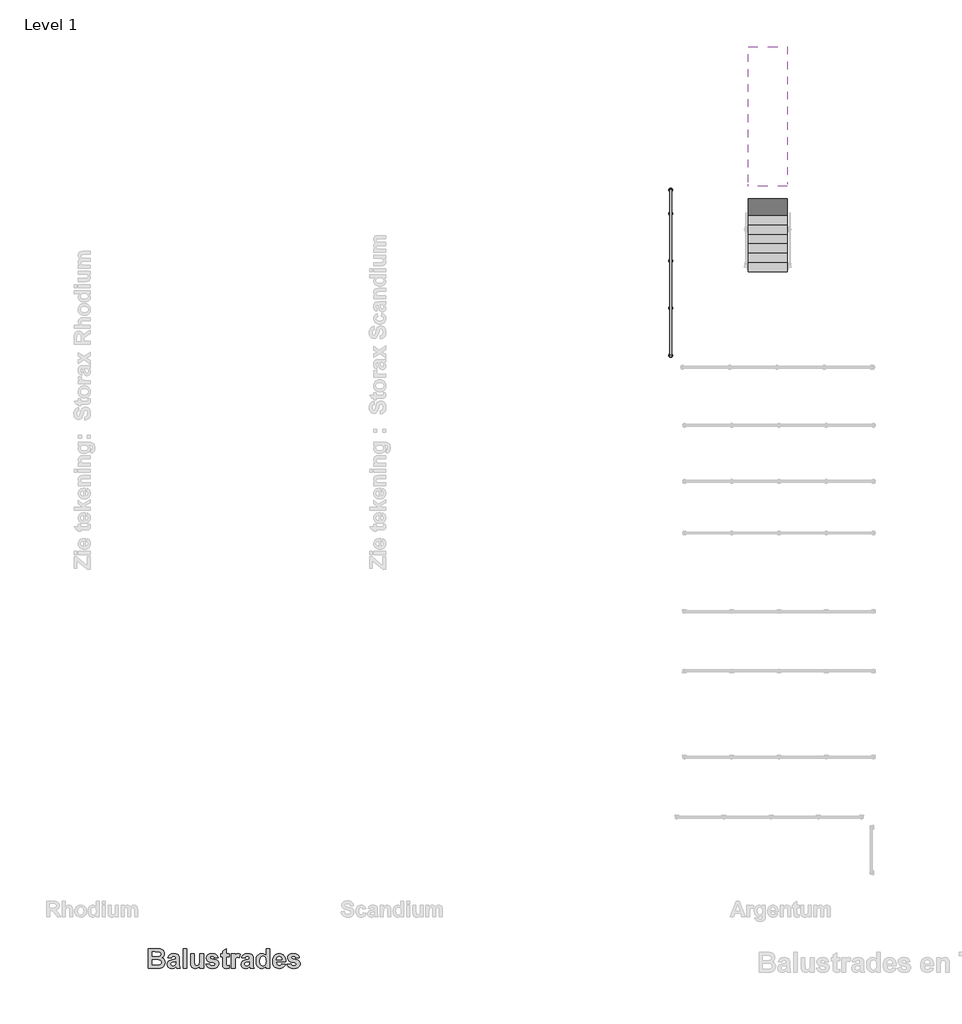
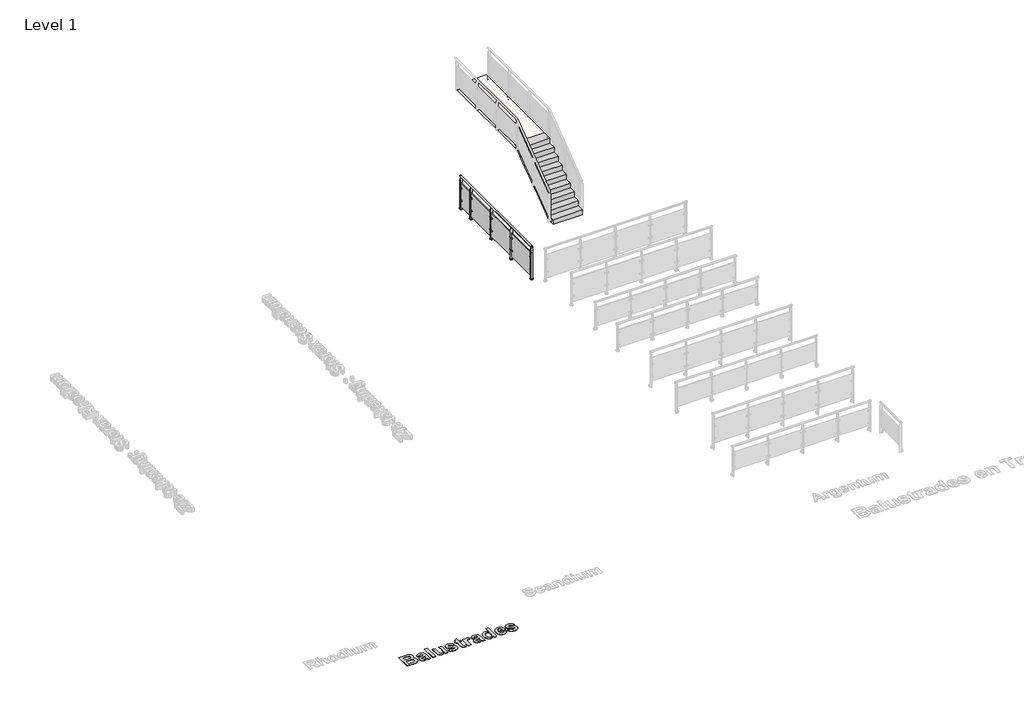
# One storey, part 6 of 16: 1 proxy, 1 railing, 1 slab, 1 stair flight.
"""IFC4 building model written with IfcOpenShell, lengths in millimetres."""

from ifc_helpers import new_model, si_unit, point, frame, frame_2d, origin, origin_with_axes, place, context, project, spatial, polyline, circle_curve, trimmed, segment, composite_curve, outline, extrude, faceted_brep, element, save
from ifc_brep_helpers import plane_surface, cylinder_surface, advanced_brep

model = new_model("IFC4")

# Units and contexts
model_context = context("Model", 3, world=origin())
ifc_project = project(units=[si_unit("LENGTHUNIT", "METRE", prefix="MILLI")], contexts=[model_context])

# Site, building, storey
site = spatial("IfcSite", under=ifc_project)
building = spatial("IfcBuilding", under=site)
storey = spatial("IfcBuildingStorey", under=building, Name="Level 1", Elevation=0.0)

# Proxy
placement = place(None, origin())
element("IfcBuildingElementProxy", 1, Name="500mm", ObjectType="500mm", at=placement, inside=storey, context=model_context, shape_type="SweptSolid", body=[
    extrude(outline(polyline([(6253.1087653, -16540.2949086), (6458.3419003, -16540.2949086), (6511.494802, -16541.534988), (6549.1777137, -16545.2552261), (6577.5445292, -16552.9282171), (6602.7491423, -16566.0265554), (6624.4040282, -16584.441734), (6642.1216622, -16608.0652459), (6653.9334181, -16635.8895267), (6657.8706701, -16666.9070118), (6653.1738695, -16700.6991745), (6639.0834677, -16731.6391546), (6616.9325501, -16757.4638074), (6588.0542018, -16775.909988), (6624.5745391, -16793.8291348), (6639.2539786, -16806.2764314), (6651.5462653, -16821.0488769), (6668.1943308, -16855.7400971), (6673.743686, -16896.0736784), (6669.759931, -16929.5713223), (6657.8086661, -16962.1079046), (6638.9594598, -16990.9397499), (6614.2818804, -17013.3231824), (6583.4814092, -17028.8086735), (6546.2635272, -17036.9466943), (6423.9917018, -17040.2949086), (6253.1087653, -17040.2949086), (6253.1087653, -16540.2949086)]), holes=[polyline([(6348.3468606, -16826.0091943), (6348.3468606, -16952.9933213), (6449.041305, -16952.9933213), (6523.6940828, -16950.0171308), (6545.7364935, -16943.3672052), (6563.2526145, -16931.1059205), (6574.6923467, -16913.4812925), (6578.5055907, -16890.7413372), (6575.5604022, -16871.0240753), (6566.7248368, -16854.5310197), (6552.3399161, -16841.6651963), (6532.7466622, -16832.8296308), (6497.5284082, -16827.7143034), (6436.2684876, -16826.0091943), (6348.3468606, -16826.0091943)]), polyline([(6348.3468606, -16627.5964959), (6348.3468606, -16738.707607), (6421.0155114, -16738.707607), (6501.6206701, -16737.0955038), (6526.9957941, -16731.2981328), (6546.3255312, -16719.8584007), (6558.5558139, -16703.3343431), (6562.6325749, -16682.2839959), (6559.1138497, -16662.1482072), (6548.5576741, -16646.1356824), (6531.088056, -16634.9284652), (6506.8290034, -16629.2085991), (6412.0869399, -16627.5964959), (6348.3468606, -16627.5964959)])]), origin_with_axes(), (0.0, 0.0, 1.0), 5.0),
    extrude(outline(polyline([(6832.4738447, -16786.3266546), (6745.1722574, -16770.4536388), (6753.3761574, -16745.8690654), (6764.0989687, -16724.6947102), (6777.3406912, -16706.9305733), (6793.1013249, -16692.5766546), (6812.1791708, -16681.5089463), (6835.3725302, -16673.6034404), (6862.681403, -16668.8601368), (6894.1057891, -16667.2790356), (6947.212188, -16671.1077806), (6984.7555907, -16682.5940157), (7010.1152137, -16699.9551269), (7026.6702733, -16721.4084999), (7035.7848566, -16754.7511338), (7038.823051, -16807.7800277), (7038.823051, -16920.379234), (7040.0786314, -16962.1699086), (7043.8453725, -16991.3117737), (7051.0533338, -17014.9662876), (7062.6325749, -17040.2949086), (6967.3944796, -17040.2949086), (6958.4659082, -17010.0369721), (6955.1176939, -16998.0082023), (6930.4711165, -17019.942106), (6904.150432, -17035.644611), (6876.0936364, -17045.0847152), (6846.2387256, -17048.2314165), (6820.5187046, -17046.3209193), (6797.6741175, -17040.5894275), (6777.7049645, -17031.0369411), (6760.6112455, -17017.6634602), (6746.9122438, -17001.3757928), (6737.1272425, -16983.0807469), (6731.2562418, -16962.7783225), (6729.2992415, -16940.4685197), (6732.7869647, -16911.2646507), (6743.2501344, -16885.4089959), (6760.0067068, -16864.0486288), (6782.3746383, -16848.3306229), (6813.0976046, -16836.2708511), (6854.9192812, -16825.8851864), (6909.0797475, -16813.6394027), (6943.5849558, -16802.1996705), (6943.5849558, -16792.1550277), (6940.6242663, -16767.4154443), (6931.7421979, -16750.9843927), (6914.6756056, -16741.7768034), (6887.1613447, -16738.707607), (6867.4130808, -16741.3427757), (6852.5631304, -16749.2482816), (6841.3404122, -16763.7882122), (6832.4738447, -16786.3266546)]), holes=[polyline([(6943.5849558, -16873.6282419), (6889.8895193, -16886.8350872), (6859.5075749, -16894.4150723), (6841.7744399, -16901.9020515), (6828.8466126, -16915.4499185), (6824.5373368, -16932.2839959), (6827.994058, -16949.1645763), (6838.3642217, -16963.5959999), (6854.0667266, -16973.5011338), (6873.5204717, -16976.8028451), (6896.8649657, -16972.9585991), (6919.0313844, -16961.425861), (6932.3622376, -16948.4670316), (6940.1127336, -16932.9040356), (6943.5849558, -16890.8653451), (6943.5849558, -16873.6282419)])]), origin_with_axes(), (0.0, 0.0, 1.0), 5.0),
    extrude(outline(polyline([(7134.0611463, -17040.2949086), (7134.0611463, -16540.2949086), (7229.2992415, -16540.2949086), (7229.2992415, -17040.2949086), (7134.0611463, -17040.2949086)])), origin_with_axes(), (0.0, 0.0, 1.0), 5.0),
    extrude(outline(polyline([(7554.6960669, -17040.2949086), (7554.6960669, -16986.72348), (7532.7621631, -17012.3156179), (7504.9068804, -17031.800365), (7473.2073516, -17044.1236536), (7439.7407098, -17048.2314165), (7406.6615927, -17044.2011586), (7377.1167018, -17032.1103848), (7353.1831701, -17012.7186437), (7336.9381304, -16986.785484), (7327.6375352, -16951.9857568), (7324.5373368, -16905.9943134), (7324.5373368, -16675.2155435), (7419.775432, -16675.2155435), (7419.775432, -16843.9903451), (7421.0620143, -16906.4748441), (7424.9217614, -16938.9184205), (7432.2072276, -16954.5434205), (7443.7709677, -16966.5721904), (7459.3184628, -16974.2451814), (7478.5551939, -16976.8028451), (7501.3571532, -16973.3926269), (7521.6479518, -16963.1619721), (7537.6759776, -16947.8624929), (7547.6896185, -16929.2458015), (7552.9444548, -16894.3220663), (7554.6960669, -16830.1014562), (7554.6960669, -16675.2155435), (7649.9341622, -16675.2155435), (7649.9341622, -17040.2949086), (7554.6960669, -17040.2949086)])), origin_with_axes(), (0.0, 0.0, 1.0), 5.0),
    extrude(outline(polyline([(7705.4897177, -16937.1203054), (7800.727813, -16921.2472896), (7809.7958933, -16945.2428253), (7825.0953725, -16962.6659404), (7847.1532842, -16973.2686189), (7876.4966622, -16976.8028451), (7908.3356999, -16973.4236288), (7931.1841622, -16963.28598), (7940.4847574, -16952.2492737), (7943.5849558, -16937.988361), (7941.9418506, -16928.12973), (7937.0125352, -16920.1312181), (7925.7588149, -16913.5897995), (7905.8865431, -16907.6064165), (7813.9036562, -16883.238857), (7783.3744523, -16871.8456279), (7763.1534082, -16860.9794324), (7744.869988, -16844.7886462), (7731.8104022, -16825.7301765), (7723.9746507, -16803.8040232), (7721.3627336, -16779.0101864), (7723.6026269, -16756.3244845), (7730.322307, -16735.5144027), (7741.5217738, -16716.5799408), (7757.2010272, -16699.5210991), (7777.5925823, -16685.4151963), (7802.9289538, -16675.3395515), (7833.2101418, -16669.2941646), (7868.4361463, -16667.2790356), (7901.9725426, -16668.9066398), (7930.9051443, -16673.7894523), (7955.2339513, -16681.9274731), (7974.9589637, -16693.3207023), (7991.025742, -16707.9071358), (8004.3798467, -16725.6247697), (8015.0212777, -16746.473604), (8022.9500352, -16770.4536388), (7927.7119399, -16786.3266546), (7920.7054915, -16765.9583511), (7909.3587653, -16750.9843927), (7892.9897177, -16741.7768034), (7870.916305, -16738.707607), (7843.7895689, -16741.3117737), (7825.6534082, -16749.1242737), (7818.8639737, -16757.6808213), (7816.6008288, -16768.4695118), (7818.8639737, -16777.801109), (7825.6534082, -16785.706615), (7852.7956453, -16797.0843431), (7909.916801, -16812.3683213), (7971.1302187, -16831.6205534), (7993.5640295, -16842.7580162), (8010.5492415, -16854.9030435), (8022.9190332, -16869.0011958), (8031.7545987, -16885.6260098), (8037.055938, -16904.7774855), (8038.823051, -16926.4556229), (8036.2615121, -16950.5635408), (8028.5768953, -16972.9120961), (8015.7692006, -16993.5012888), (7997.838428, -17012.3311189), (7974.885334, -17028.0374991), (7947.0106751, -17039.2563421), (7914.2144511, -17045.9876479), (7876.4966622, -17048.2314165), (7841.9410756, -17046.363547), (7811.1909826, -17040.7599384), (7784.2463831, -17031.4205907), (7761.1072772, -17018.3455038), (7741.7039104, -17002.0617117), (7725.9665282, -16983.0962479), (7713.8951307, -16961.4491125), (7705.4897177, -16937.1203054)])), origin_with_axes(), (0.0, 0.0, 1.0), 5.0),
    extrude(outline(polyline([(8300.727813, -16675.2155435), (8300.727813, -16746.644115), (8229.2992415, -16746.644115), (8229.2992415, -16903.2661388), (8231.4693804, -16958.6356824), (8241.3280114, -16971.6565157), (8260.0532098, -16976.8028451), (8304.6960669, -16967.6262578), (8308.6643209, -17035.3345911), (8271.9269697, -17045.0072102), (8230.6633288, -17048.2314165), (8205.3037058, -17045.9992737), (8182.5482495, -17039.3028451), (8163.96256, -17029.0721904), (8151.1122376, -17016.2373689), (8142.6331949, -16999.5893034), (8137.1613447, -16977.9189165), (8134.0611463, -16908.59848), (8134.0611463, -16746.644115), (8086.4420987, -16746.644115), (8086.4420987, -16675.2155435), (8134.0611463, -16675.2155435), (8134.0611463, -16603.7869721), (8229.2992415, -16548.2314165), (8229.2992415, -16675.2155435), (8300.727813, -16675.2155435)])), origin_with_axes(), (0.0, 0.0, 1.0), 5.0),
    extrude(outline(polyline([(8451.5214637, -17040.2949086), (8356.2833685, -17040.2949086), (8356.2833685, -16675.2155435), (8451.5214637, -16675.2155435), (8451.5214637, -16726.0587975), (8471.6417514, -16696.1573838), (8489.5919003, -16678.6257618), (8507.635055, -16670.1157171), (8528.0343606, -16667.2790356), (8557.7652633, -16672.301357), (8586.4420987, -16687.3683213), (8558.6643209, -16778.0181229), (8535.7228526, -16766.3923788), (8514.5174955, -16762.5171308), (8496.2108239, -16765.2298044), (8480.9733487, -16773.3678253), (8468.7275649, -16788.5742985), (8459.3959677, -16812.4923292), (8453.4900897, -16856.2671308), (8451.5214637, -16931.0439165), (8451.5214637, -17040.2949086)])), origin_with_axes(), (0.0, 0.0, 1.0), 5.0),
    extrude(outline(polyline([(8705.4897177, -16786.3266546), (8618.1881304, -16770.4536388), (8626.3920305, -16745.8690654), (8637.1148417, -16724.6947102), (8650.3565642, -16706.9305733), (8666.1171979, -16692.5766546), (8685.1950439, -16681.5089463), (8708.3884032, -16673.6034404), (8735.697276, -16668.8601368), (8767.1216622, -16667.2790356), (8820.228061, -16671.1077806), (8857.7714637, -16682.5940157), (8883.1310868, -16699.9551269), (8899.6861463, -16721.4084999), (8908.8007296, -16754.7511338), (8911.8389241, -16807.7800277), (8911.8389241, -16920.379234), (8913.0945044, -16962.1699086), (8916.8612455, -16991.3117737), (8924.0692068, -17014.9662876), (8935.6484479, -17040.2949086), (8840.4103526, -17040.2949086), (8831.4817812, -17010.0369721), (8828.1335669, -16998.0082023), (8803.4869895, -17019.942106), (8777.166305, -17035.644611), (8749.1095094, -17045.0847152), (8719.2545987, -17048.2314165), (8693.5345776, -17046.3209193), (8670.6899905, -17040.5894275), (8650.7208375, -17031.0369411), (8633.6271185, -17017.6634602), (8619.9281168, -17001.3757928), (8610.1431155, -16983.0807469), (8604.2721148, -16962.7783225), (8602.3151145, -16940.4685197), (8605.8028378, -16911.2646507), (8616.2660074, -16885.4089959), (8633.0225798, -16864.0486288), (8655.3905114, -16848.3306229), (8686.1134776, -16836.2708511), (8727.9351542, -16825.8851864), (8782.0956205, -16813.6394027), (8816.6008288, -16802.1996705), (8816.6008288, -16792.1550277), (8813.6401393, -16767.4154443), (8804.7580709, -16750.9843927), (8787.6914786, -16741.7768034), (8760.1772177, -16738.707607), (8740.4289538, -16741.3427757), (8725.5790034, -16749.2482816), (8714.3562852, -16763.7882122), (8705.4897177, -16786.3266546)]), holes=[polyline([(8816.6008288, -16873.6282419), (8762.9053923, -16886.8350872), (8732.5234479, -16894.4150723), (8714.790313, -16901.9020515), (8701.8624856, -16915.4499185), (8697.5532098, -16932.2839959), (8701.009931, -16949.1645763), (8711.3800947, -16963.5959999), (8727.0825997, -16973.5011338), (8746.5363447, -16976.8028451), (8769.8808387, -16972.9585991), (8792.0472574, -16961.425861), (8805.3781106, -16948.4670316), (8813.1286066, -16932.9040356), (8816.6008288, -16890.8653451), (8816.6008288, -16873.6282419)])]), origin_with_axes(), (0.0, 0.0, 1.0), 5.0),
    extrude(outline(polyline([(9332.4738447, -17040.2949086), (9237.2357495, -17040.2949086), (9237.2357495, -16987.7155435), (9213.9997624, -17014.4237529), (9186.9505312, -17033.2884602), (9157.8861711, -17044.4956775), (9128.6047971, -17048.2314165), (9099.7303241, -17045.0692142), (9073.0027385, -17035.582607), (9048.4220404, -17019.7715951), (9025.9882296, -16997.6361784), (9007.2979084, -16969.8351492), (8993.947679, -16937.0272995), (8985.9375414, -16899.2126293), (8983.2674955, -16856.3911388), (8985.9336661, -16812.8488521), (8993.932178, -16774.8559205), (9007.2630312, -16742.4123441), (9025.9262256, -16715.5181229), (9048.666181, -16694.4135222), (9074.2273169, -16679.3388074), (9102.6096334, -16670.2939785), (9133.8131304, -16667.2790356), (9162.6914786, -16670.4024855), (9189.5546979, -16679.7728352), (9214.4027881, -16695.3900847), (9237.2357495, -16717.254234), (9237.2357495, -16540.2949086), (9332.4738447, -16540.2949086), (9332.4738447, -17040.2949086)]), holes=[polyline([(9078.5055907, -16850.8107816), (9082.4738447, -16902.6460991), (9087.4341622, -16922.332359), (9094.3786066, -16937.8643531), (9106.9886636, -16954.8999433), (9121.8773665, -16967.0682221), (9139.0447152, -16974.3691894), (9158.4907098, -16976.8028451), (9174.3017217, -16974.9776033), (9188.8726542, -16969.5018779), (9202.2035074, -16960.3756688), (9214.2942812, -16947.5989761), (9224.3311736, -16931.1950512), (9231.5003824, -16911.1871457), (9235.8019077, -16887.5752595), (9237.2357495, -16860.3593927), (9235.8445354, -16830.2603414), (9231.6708933, -16804.6953302), (9224.7148231, -16783.6643593), (9214.9763249, -16767.1674284), (9203.0599372, -16754.7162566), (9189.5701989, -16745.8225624), (9174.5071098, -16740.4863459), (9157.8706701, -16738.707607), (9141.6876344, -16740.4669696), (9126.868686, -16745.7450574), (9113.4138249, -16754.5418704), (9101.323051, -16766.8574086), (9091.3404122, -16782.66067), (9084.2099558, -16801.9206527), (9079.931682, -16824.6373565), (9078.5055907, -16850.8107816)])]), origin_with_axes(), (0.0, 0.0, 1.0), 5.0),
    extrude(outline(polyline([(9634.0611463, -16929.1837975), (9729.2992415, -16945.0568134), (9719.0065828, -16968.784957), (9706.1097574, -16989.4981576), (9690.6087653, -17007.1964153), (9672.5036066, -17021.87973), (9651.8795367, -17033.4085929), (9628.821811, -17041.6434949), (9603.3304295, -17046.5844361), (9575.4053923, -17048.2314165), (9532.2738819, -17044.348418), (9495.1412554, -17032.6994225), (9464.0075129, -17013.2844299), (9438.8726542, -16986.1034404), (9423.5731751, -16959.6044944), (9412.6449756, -16929.8348392), (9406.088056, -16896.7944746), (9403.9024161, -16860.4834007), (9406.8011016, -16817.6696606), (9415.4971582, -16779.754234), (9429.9905858, -16746.7371209), (9450.2813844, -16718.6183213), (9475.0054667, -16696.1573838), (9502.7987455, -16680.113857), (9533.6612207, -16670.4877409), (9567.5928923, -16667.2790356), (9605.2990555, -16670.5729964), (9638.8044499, -16680.4548788), (9668.1090754, -16696.9246829), (9693.212932, -16719.9824086), (9713.2169623, -16749.8450698), (9727.2221086, -16786.7296804), (9735.228371, -16830.6362405), (9737.2357495, -16881.5647499), (9499.1405114, -16881.5647499), (9505.2479022, -16921.6813173), (9512.1380932, -16937.97286), (9521.5859479, -16951.7532419), (9532.9714265, -16962.7124433), (9545.6744895, -16970.5404443), (9559.6951369, -16975.2372449), (9575.0333685, -16976.8028451), (9595.0296483, -16973.9816646), (9611.6157098, -16965.5181229), (9624.6675451, -16950.7921804), (9634.0611463, -16929.1837975)]), holes=[polyline([(9641.9976542, -16826.0091943), (9636.2002832, -16788.3572846), (9629.697617, -16773.379451), (9620.7922971, -16760.9670316), (9598.4088645, -16744.2724632), (9571.6851542, -16738.707607), (9543.4733487, -16744.566982), (9520.5938844, -16762.145107), (9511.8203229, -16774.972178), (9505.5889241, -16789.8918828), (9500.7526145, -16826.0091943), (9641.9976542, -16826.0091943)])]), origin_with_axes(), (0.0, 0.0, 1.0), 5.0),
    extrude(outline(polyline([(9768.9817812, -16937.1203054), (9864.2198764, -16921.2472896), (9873.2879568, -16945.2428253), (9888.587436, -16962.6659404), (9910.6453477, -16973.2686189), (9939.9887256, -16976.8028451), (9971.8277633, -16973.4236288), (9994.6762256, -16963.28598), (10003.9768209, -16952.2492737), (10007.0770193, -16937.988361), (10005.4339141, -16928.12973), (10000.5045987, -16920.1312181), (9989.2508784, -16913.5897995), (9969.3786066, -16907.6064165), (9877.3957197, -16883.238857), (9846.8665158, -16871.8456279), (9826.6454717, -16860.9794324), (9808.3620515, -16844.7886462), (9795.3024657, -16825.7301765), (9787.4667142, -16803.8040232), (9784.8547971, -16779.0101864), (9787.0946904, -16756.3244845), (9793.8143705, -16735.5144027), (9805.0138373, -16716.5799408), (9820.6930907, -16699.5210991), (9841.0846458, -16685.4151963), (9866.4210173, -16675.3395515), (9896.7022053, -16669.2941646), (9931.9282098, -16667.2790356), (9965.4646061, -16668.9066398), (9994.3972078, -16673.7894523), (10018.7260148, -16681.9274731), (10038.4510272, -16693.3207023), (10054.5178055, -16707.9071358), (10067.8719102, -16725.6247697), (10078.5133412, -16746.473604), (10086.4420987, -16770.4536388), (9991.2040034, -16786.3266546), (9984.197555, -16765.9583511), (9972.8508288, -16750.9843927), (9956.4817812, -16741.7768034), (9934.4083685, -16738.707607), (9907.2816324, -16741.3117737), (9889.1454717, -16749.1242737), (9882.3560372, -16757.6808213), (9880.0928923, -16768.4695118), (9882.3560372, -16777.801109), (9889.1454717, -16785.706615), (9916.2877088, -16797.0843431), (9973.4088645, -16812.3683213), (10034.6222822, -16831.6205534), (10057.056093, -16842.7580162), (10074.041305, -16854.9030435), (10086.4110967, -16869.0011958), (10095.2466622, -16885.6260098), (10100.5480014, -16904.7774855), (10102.3151145, -16926.4556229), (10099.7535756, -16950.5635408), (10092.0689588, -16972.9120961), (10079.2612641, -16993.5012888), (10061.3304915, -17012.3311189), (10038.3773975, -17028.0374991), (10010.5027385, -17039.2563421), (9977.7065146, -17045.9876479), (9939.9887256, -17048.2314165), (9905.4331391, -17046.363547), (9874.6830461, -17040.7599384), (9847.7384466, -17031.4205907), (9824.5993407, -17018.3455038), (9805.1959739, -17002.0617117), (9789.4585917, -16983.0962479), (9777.3871942, -16961.4491125), (9768.9817812, -16937.1203054)])), origin_with_axes(), (0.0, 0.0, 1.0), 5.0),
])

# Railing
element("IfcRailing", 2, at=placement, inside=storey, context=model_context, shape_type="SolidModel", body=[
    advanced_brep(
    [(19510.6479588, 2747.4320958, 1175.0), (19510.6479588, 2747.4320958, 1200.0), (19510.6479588, 2747.4320958, 1150.0), (19510.6479588, 2757.4320958, 1150.0), (19510.6479588, 2757.4320958, 1200.0), (19510.6479588, 2757.4320958, 1175.0)],
    [
        (0, 1),
        (1, 2, circle_curve(frame((19510.6479588, 2747.4320958, 1175.0), z_axis=(0.0, -1.0, 0.0), x_axis=(0.0, 0.0, 1.0)), 25.0)),
        (2, 0),
        (2, 1, circle_curve(frame((19510.6479588, 2747.4320958, 1175.0), z_axis=(0.0, -1.0, 0.0), x_axis=(0.0, 0.0, 1.0)), 25.0)),
        (3, 4, circle_curve(frame((19510.6479588, 2757.4320958, 1175.0), z_axis=(0.0, 1.0, 0.0), x_axis=(0.0, 0.0, 1.0)), 25.0)),
        (4, 5),
        (5, 3),
        (4, 3, circle_curve(frame((19510.6479588, 2757.4320958, 1175.0), z_axis=(0.0, 1.0, 0.0), x_axis=(0.0, 0.0, 1.0)), 25.0)),
        (1, 4),
        (3, 2),
    ],
    [
        plane_surface(frame((19510.6479588, 2747.4320958, 1175.0), z_axis=(0.0, -1.0, 0.0), x_axis=(0.0, 0.0, 1.0))),
        plane_surface(frame((19510.6479588, 2757.4320958, 1175.0), z_axis=(0.0, 1.0, 0.0), x_axis=(0.0, 0.0, 1.0))),
        cylinder_surface(frame((19510.6479588, 2732.4320958, 1175.0), z_axis=(0.0, -1.0, 0.0), x_axis=(0.0, 0.0, 1.0)), 25.0),
    ],
    [
        (0, [[1, 2, 3]]),
        (0, [[-3, 4, -1]]),
        (1, [[5, 6, 7]]),
        (1, [[8, -7, -6]]),
        (2, [[-2, 9, -5, 10]]),
        (2, [[-4, -10, -8, -9]]),
    ],
),
    advanced_brep(
    [(19510.6479588, -1512.5679042, 1175.0), (19510.6479588, -1512.5679042, 1200.0), (19510.6479588, -1512.5679042, 1150.0), (19510.6479588, -1522.5679042, 1150.0), (19510.6479588, -1522.5679042, 1200.0), (19510.6479588, -1522.5679042, 1175.0)],
    [
        (0, 1),
        (1, 2, circle_curve(frame((19510.6479588, -1512.5679042, 1175.0), z_axis=(0.0, 1.0, 0.0), x_axis=(0.0, 0.0, 1.0)), 25.0)),
        (2, 0),
        (2, 1, circle_curve(frame((19510.6479588, -1512.5679042, 1175.0), z_axis=(0.0, 1.0, 0.0), x_axis=(0.0, 0.0, 1.0)), 25.0)),
        (3, 4, circle_curve(frame((19510.6479588, -1522.5679042, 1175.0), z_axis=(0.0, -1.0, 0.0), x_axis=(0.0, 0.0, 1.0)), 25.0)),
        (4, 5),
        (5, 3),
        (4, 3, circle_curve(frame((19510.6479588, -1522.5679042, 1175.0), z_axis=(0.0, -1.0, 0.0), x_axis=(0.0, 0.0, 1.0)), 25.0)),
        (1, 4),
        (3, 2),
    ],
    [
        plane_surface(frame((19510.6479588, -1512.5679042, 1175.0), z_axis=(0.0, 1.0, 0.0), x_axis=(0.0, 0.0, 1.0))),
        plane_surface(frame((19510.6479588, -1522.5679042, 1175.0), z_axis=(0.0, -1.0, 0.0), x_axis=(0.0, 0.0, 1.0))),
        cylinder_surface(frame((19510.6479588, -1497.5679042, 1175.0), z_axis=(0.0, 1.0, 0.0), x_axis=(0.0, 0.0, 1.0)), 25.0),
    ],
    [
        (0, [[1, 2, 3]]),
        (0, [[-3, 4, -1]]),
        (1, [[5, 6, 7]]),
        (1, [[8, -7, -6]]),
        (2, [[-2, 9, -5, 10]]),
        (2, [[-4, -10, -8, -9]]),
    ],
),
    advanced_brep(
    [(19535.6479588, -1512.5679042, 1175.0), (19485.6479588, -1512.5679042, 1175.0), (19535.6479588, -1482.5679042, 1175.0), (19485.6479588, -1482.5679042, 1175.0), (19535.6479588, 2717.4320958, 1175.0), (19485.6479588, 2717.4320958, 1175.0), (19535.6479588, 2747.4320958, 1175.0), (19485.6479588, 2747.4320958, 1175.0)],
    [
        (0, 1, circle_curve(frame((19510.6479588, -1512.5679042, 1175.0), z_axis=(0.0, -1.0, 0.0), x_axis=(-1.0, 0.0, 0.0)), 25.0)),
        (1, 0, circle_curve(frame((19510.6479588, -1512.5679042, 1175.0), z_axis=(0.0, -1.0, 0.0), x_axis=(-1.0, 0.0, 0.0)), 25.0)),
        (0, 2),
        (2, 3, circle_curve(frame((19510.6479588, -1482.5679042, 1175.0), z_axis=(0.0, -1.0, 0.0), x_axis=(-1.0, 0.0, 0.0)), 25.0)),
        (3, 1),
        (3, 2, circle_curve(frame((19510.6479588, -1482.5679042, 1175.0), z_axis=(0.0, -1.0, 0.0), x_axis=(-1.0, 0.0, 0.0)), 25.0)),
        (2, 4),
        (4, 5, circle_curve(frame((19510.6479588, 2717.4320958, 1175.0), z_axis=(0.0, -1.0, 0.0), x_axis=(-1.0, 0.0, 0.0)), 25.0)),
        (5, 3),
        (5, 4, circle_curve(frame((19510.6479588, 2717.4320958, 1175.0), z_axis=(0.0, -1.0, 0.0), x_axis=(-1.0, 0.0, 0.0)), 25.0)),
        (6, 7, circle_curve(frame((19510.6479588, 2747.4320958, 1175.0), z_axis=(0.0, 1.0, 0.0), x_axis=(-1.0, 0.0, 0.0)), 25.0)),
        (7, 6, circle_curve(frame((19510.6479588, 2747.4320958, 1175.0), z_axis=(0.0, 1.0, 0.0), x_axis=(-1.0, 0.0, 0.0)), 25.0)),
        (4, 6),
        (7, 5),
    ],
    [
        plane_surface(frame((19510.6479588, -1512.5679042, 1200.0), z_axis=(0.0, -1.0, 0.0), x_axis=(0.0, 0.0, 1.0))),
        cylinder_surface(frame((19510.6479588, -1512.5679042, 1175.0), z_axis=(0.0, -1.0, 0.0), x_axis=(-1.0, 0.0, 0.0)), 25.0),
        cylinder_surface(frame((19510.6479588, -1482.5679042, 1175.0), z_axis=(0.0, -1.0, 0.0), x_axis=(-1.0, 0.0, 0.0)), 25.0),
        plane_surface(frame((19510.6479588, 2747.4320958, 1200.0), z_axis=(0.0, 1.0, 0.0), x_axis=(0.0, 0.0, 1.0))),
        cylinder_surface(frame((19510.6479588, 2717.4320958, 1175.0), z_axis=(0.0, -1.0, 0.0), x_axis=(-1.0, 0.0, 0.0)), 25.0),
    ],
    [
        (0, [[1, 2]]),
        (1, [[-1, 3, 4, 5]]),
        (1, [[-2, -5, 6, -3]]),
        (2, [[-4, 7, 8, 9]]),
        (2, [[-6, -9, 10, -7]]),
        (3, [[11, 12]]),
        (4, [[-8, 13, -12, 14]]),
        (4, [[-10, -14, -11, -13]]),
    ],
),
    extrude(outline(polyline([(19518.6479588, -1482.5679042), (19502.6479588, -1482.5679042), (19502.6479588, 2717.4320958), (19518.6479588, 2717.4320958), (19518.6479588, -1482.5679042)])), frame((0.0, 0.0, 100.0), z_axis=(0.0, 0.0, 1.0), x_axis=(1.0, 0.0, 0.0)), (0.0, 0.0, 1.0), 850.0),
    extrude(outline(composite_curve([segment(polyline([(2168.4320958, 295.0), (2123.4320958, 295.0), (2123.4320958, 345.0), (2168.4320958, 345.0)]), True, "CONTINUOUS"), segment(trimmed(circle_curve(frame_2d((2168.4320958, 320.0)), 25.0), [point((2168.4320958, 345.0))], [point((2168.4320958, 295.0))], False, "CARTESIAN"), True, "CONTINUOUS")], self_intersect=False)), frame((19497.9078476, 0.0, 0.0), z_axis=(1.0, 0.0, 0.0), x_axis=(0.0, 1.0, 0.0)), (0.0, 0.0, 1.0), 25.4802223),
    extrude(outline(composite_curve([segment(polyline([(2168.4320958, 745.0), (2123.4320958, 745.0), (2123.4320958, 795.0), (2168.4320958, 795.0)]), True, "CONTINUOUS"), segment(trimmed(circle_curve(frame_2d((2168.4320958, 770.0)), 25.0), [point((2168.4320958, 795.0))], [point((2168.4320958, 745.0))], False, "CARTESIAN"), True, "CONTINUOUS")], self_intersect=False)), frame((19497.9078476, 0.0, 0.0), z_axis=(1.0, 0.0, 0.0), x_axis=(0.0, 1.0, 0.0)), (0.0, 0.0, 1.0), 25.4802223),
    extrude(outline(composite_curve([segment(trimmed(circle_curve(frame_2d((2066.4320958, 320.0)), 25.0), [point((2066.4320958, 295.0))], [point((2066.4320958, 345.0))], False, "CARTESIAN"), True, "CONTINUOUS"), segment(polyline([(2066.4320958, 345.0), (2111.4320958, 345.0), (2111.4320958, 295.0), (2066.4320958, 295.0)]), True, "CONTINUOUS")], self_intersect=False)), frame((19497.9078476, 0.0, 0.0), z_axis=(1.0, 0.0, 0.0), x_axis=(0.0, 1.0, 0.0)), (0.0, 0.0, 1.0), 25.4802223),
    extrude(outline(composite_curve([segment(trimmed(circle_curve(frame_2d((2066.4320958, 770.0)), 25.0), [point((2066.4320958, 745.0))], [point((2066.4320958, 795.0))], False, "CARTESIAN"), True, "CONTINUOUS"), segment(polyline([(2066.4320958, 795.0), (2111.4320958, 795.0), (2111.4320958, 745.0), (2066.4320958, 745.0)]), True, "CONTINUOUS")], self_intersect=False)), frame((19497.9078476, 0.0, 0.0), z_axis=(1.0, 0.0, 0.0), x_axis=(0.0, 1.0, 0.0)), (0.0, 0.0, 1.0), 25.4802223),
    extrude(outline(composite_curve([segment(trimmed(circle_curve(frame_2d((19510.6479588, 2117.4320958)), 50.0), [point((19560.6479588, 2117.4320958))], [point((19460.6479588, 2117.4320958))], False, "CARTESIAN"), True, "CONTINUOUS"), segment(trimmed(circle_curve(frame_2d((19510.6479588, 2117.4320958)), 50.0), [point((19460.6479588, 2117.4320958))], [point((19560.6479588, 2117.4320958))], False, "CARTESIAN"), True, "CONTINUOUS")], self_intersect=False), holes=[composite_curve([segment(trimmed(circle_curve(frame_2d((19510.6382913, 2092.4417633)), 8.9986565), [point((19510.6382913, 2101.4404197))], [point((19510.6382913, 2083.4431068))], True, "CARTESIAN"), True, "CONTINUOUS"), segment(trimmed(circle_curve(frame_2d((19510.6382913, 2092.4417633)), 8.9986565), [point((19510.6382913, 2083.4431068))], [point((19510.6382913, 2101.4404197))], True, "CARTESIAN"), True, "CONTINUOUS")], self_intersect=False), composite_curve([segment(trimmed(circle_curve(frame_2d((19510.6382913, 2142.4417633)), 8.9793215), [point((19510.6382913, 2151.4210848))], [point((19510.6382913, 2133.4624418))], True, "CARTESIAN"), True, "CONTINUOUS"), segment(trimmed(circle_curve(frame_2d((19510.6382913, 2142.4417633)), 8.9793215), [point((19510.6382913, 2133.4624418))], [point((19510.6382913, 2151.4210848))], True, "CARTESIAN"), True, "CONTINUOUS")], self_intersect=False)]), origin_with_axes(), (0.0, 0.0, 1.0), 15.0),
    extrude(outline(polyline([(15.0, 19470.6479588), (15.0, 19550.6479588), (1075.0, 19550.6479588), (1150.0, 19520.6479588), (1150.0, 19500.6479588), (1075.0, 19470.6479588), (15.0, 19470.6479588)])), frame((0.0, 2111.4320958, 0.0), z_axis=(0.0, 1.0, 0.0), x_axis=(0.0, 0.0, 1.0)), (0.0, 0.0, 1.0), 12.0),
    extrude(outline(composite_curve([segment(polyline([(968.4320958, 295.0), (923.4320958, 295.0), (923.4320958, 345.0), (968.4320958, 345.0)]), True, "CONTINUOUS"), segment(trimmed(circle_curve(frame_2d((968.4320958, 320.0)), 25.0), [point((968.4320958, 345.0))], [point((968.4320958, 295.0))], False, "CARTESIAN"), True, "CONTINUOUS")], self_intersect=False)), frame((19497.9078476, 0.0, 0.0), z_axis=(1.0, 0.0, 0.0), x_axis=(0.0, 1.0, 0.0)), (0.0, 0.0, 1.0), 25.4802223),
    extrude(outline(composite_curve([segment(polyline([(968.4320958, 745.0), (923.4320958, 745.0), (923.4320958, 795.0), (968.4320958, 795.0)]), True, "CONTINUOUS"), segment(trimmed(circle_curve(frame_2d((968.4320958, 770.0)), 25.0), [point((968.4320958, 795.0))], [point((968.4320958, 745.0))], False, "CARTESIAN"), True, "CONTINUOUS")], self_intersect=False)), frame((19497.9078476, 0.0, 0.0), z_axis=(1.0, 0.0, 0.0), x_axis=(0.0, 1.0, 0.0)), (0.0, 0.0, 1.0), 25.4802223),
    extrude(outline(composite_curve([segment(trimmed(circle_curve(frame_2d((866.4320958, 320.0)), 25.0), [point((866.4320958, 295.0))], [point((866.4320958, 345.0))], False, "CARTESIAN"), True, "CONTINUOUS"), segment(polyline([(866.4320958, 345.0), (911.4320958, 345.0), (911.4320958, 295.0), (866.4320958, 295.0)]), True, "CONTINUOUS")], self_intersect=False)), frame((19497.9078476, 0.0, 0.0), z_axis=(1.0, 0.0, 0.0), x_axis=(0.0, 1.0, 0.0)), (0.0, 0.0, 1.0), 25.4802223),
    extrude(outline(composite_curve([segment(trimmed(circle_curve(frame_2d((866.4320958, 770.0)), 25.0), [point((866.4320958, 745.0))], [point((866.4320958, 795.0))], False, "CARTESIAN"), True, "CONTINUOUS"), segment(polyline([(866.4320958, 795.0), (911.4320958, 795.0), (911.4320958, 745.0), (866.4320958, 745.0)]), True, "CONTINUOUS")], self_intersect=False)), frame((19497.9078476, 0.0, 0.0), z_axis=(1.0, 0.0, 0.0), x_axis=(0.0, 1.0, 0.0)), (0.0, 0.0, 1.0), 25.4802223),
    extrude(outline(composite_curve([segment(trimmed(circle_curve(frame_2d((19510.6479588, 917.4320958)), 50.0), [point((19560.6479588, 917.4320958))], [point((19460.6479588, 917.4320958))], False, "CARTESIAN"), True, "CONTINUOUS"), segment(trimmed(circle_curve(frame_2d((19510.6479588, 917.4320958)), 50.0), [point((19460.6479588, 917.4320958))], [point((19560.6479588, 917.4320958))], False, "CARTESIAN"), True, "CONTINUOUS")], self_intersect=False), holes=[composite_curve([segment(trimmed(circle_curve(frame_2d((19510.6382913, 892.4417633)), 8.9986565), [point((19510.6382913, 901.4404197))], [point((19510.6382913, 883.4431068))], True, "CARTESIAN"), True, "CONTINUOUS"), segment(trimmed(circle_curve(frame_2d((19510.6382913, 892.4417633)), 8.9986565), [point((19510.6382913, 883.4431068))], [point((19510.6382913, 901.4404197))], True, "CARTESIAN"), True, "CONTINUOUS")], self_intersect=False), composite_curve([segment(trimmed(circle_curve(frame_2d((19510.6382913, 942.4417633)), 8.9793215), [point((19510.6382913, 951.4210848))], [point((19510.6382913, 933.4624418))], True, "CARTESIAN"), True, "CONTINUOUS"), segment(trimmed(circle_curve(frame_2d((19510.6382913, 942.4417633)), 8.9793215), [point((19510.6382913, 933.4624418))], [point((19510.6382913, 951.4210848))], True, "CARTESIAN"), True, "CONTINUOUS")], self_intersect=False)]), origin_with_axes(), (0.0, 0.0, 1.0), 15.0),
    extrude(outline(polyline([(15.0, 19470.6479588), (15.0, 19550.6479588), (1075.0, 19550.6479588), (1150.0, 19520.6479588), (1150.0, 19500.6479588), (1075.0, 19470.6479588), (15.0, 19470.6479588)])), frame((0.0, 911.4320958, 0.0), z_axis=(0.0, 1.0, 0.0), x_axis=(0.0, 0.0, 1.0)), (0.0, 0.0, 1.0), 12.0),
    extrude(outline(composite_curve([segment(polyline([(-231.5679042, 295.0), (-276.5679042, 295.0), (-276.5679042, 345.0), (-231.5679042, 345.0)]), True, "CONTINUOUS"), segment(trimmed(circle_curve(frame_2d((-231.5679042, 320.0)), 25.0), [point((-231.5679042, 345.0))], [point((-231.5679042, 295.0))], False, "CARTESIAN"), True, "CONTINUOUS")], self_intersect=False)), frame((19497.9078476, 0.0, 0.0), z_axis=(1.0, 0.0, 0.0), x_axis=(0.0, 1.0, 0.0)), (0.0, 0.0, 1.0), 25.4802223),
    extrude(outline(composite_curve([segment(polyline([(-231.5679042, 745.0), (-276.5679042, 745.0), (-276.5679042, 795.0), (-231.5679042, 795.0)]), True, "CONTINUOUS"), segment(trimmed(circle_curve(frame_2d((-231.5679042, 770.0)), 25.0), [point((-231.5679042, 795.0))], [point((-231.5679042, 745.0))], False, "CARTESIAN"), True, "CONTINUOUS")], self_intersect=False)), frame((19497.9078476, 0.0, 0.0), z_axis=(1.0, 0.0, 0.0), x_axis=(0.0, 1.0, 0.0)), (0.0, 0.0, 1.0), 25.4802223),
    extrude(outline(composite_curve([segment(trimmed(circle_curve(frame_2d((-333.5679042, 320.0)), 25.0), [point((-333.5679042, 295.0))], [point((-333.5679042, 345.0))], False, "CARTESIAN"), True, "CONTINUOUS"), segment(polyline([(-333.5679042, 345.0), (-288.5679042, 345.0), (-288.5679042, 295.0), (-333.5679042, 295.0)]), True, "CONTINUOUS")], self_intersect=False)), frame((19497.9078476, 0.0, 0.0), z_axis=(1.0, 0.0, 0.0), x_axis=(0.0, 1.0, 0.0)), (0.0, 0.0, 1.0), 25.4802223),
    extrude(outline(composite_curve([segment(trimmed(circle_curve(frame_2d((-333.5679042, 770.0)), 25.0), [point((-333.5679042, 745.0))], [point((-333.5679042, 795.0))], False, "CARTESIAN"), True, "CONTINUOUS"), segment(polyline([(-333.5679042, 795.0), (-288.5679042, 795.0), (-288.5679042, 745.0), (-333.5679042, 745.0)]), True, "CONTINUOUS")], self_intersect=False)), frame((19497.9078476, 0.0, 0.0), z_axis=(1.0, 0.0, 0.0), x_axis=(0.0, 1.0, 0.0)), (0.0, 0.0, 1.0), 25.4802223),
    extrude(outline(composite_curve([segment(trimmed(circle_curve(frame_2d((19510.6479588, -282.5679042)), 50.0), [point((19560.6479588, -282.5679042))], [point((19460.6479588, -282.5679042))], False, "CARTESIAN"), True, "CONTINUOUS"), segment(trimmed(circle_curve(frame_2d((19510.6479588, -282.5679042)), 50.0), [point((19460.6479588, -282.5679042))], [point((19560.6479588, -282.5679042))], False, "CARTESIAN"), True, "CONTINUOUS")], self_intersect=False), holes=[composite_curve([segment(trimmed(circle_curve(frame_2d((19510.6382913, -307.5582367)), 8.9986565), [point((19510.6382913, -298.5595803))], [point((19510.6382913, -316.5568932))], True, "CARTESIAN"), True, "CONTINUOUS"), segment(trimmed(circle_curve(frame_2d((19510.6382913, -307.5582367)), 8.9986565), [point((19510.6382913, -316.5568932))], [point((19510.6382913, -298.5595803))], True, "CARTESIAN"), True, "CONTINUOUS")], self_intersect=False), composite_curve([segment(trimmed(circle_curve(frame_2d((19510.6382913, -257.5582367)), 8.9793215), [point((19510.6382913, -248.5789152))], [point((19510.6382913, -266.5375582))], True, "CARTESIAN"), True, "CONTINUOUS"), segment(trimmed(circle_curve(frame_2d((19510.6382913, -257.5582367)), 8.9793215), [point((19510.6382913, -266.5375582))], [point((19510.6382913, -248.5789152))], True, "CARTESIAN"), True, "CONTINUOUS")], self_intersect=False)]), origin_with_axes(), (0.0, 0.0, 1.0), 15.0),
    extrude(outline(polyline([(15.0, 19470.6479588), (15.0, 19550.6479588), (1075.0, 19550.6479588), (1150.0, 19520.6479588), (1150.0, 19500.6479588), (1075.0, 19470.6479588), (15.0, 19470.6479588)])), frame((0.0, -288.5679042, 0.0), z_axis=(0.0, 1.0, 0.0), x_axis=(0.0, 0.0, 1.0)), (0.0, 0.0, 1.0), 12.0),
    extrude(outline(composite_curve([segment(trimmed(circle_curve(frame_2d((2666.4320958, 320.0)), 25.0), [point((2666.4320958, 295.0))], [point((2666.4320958, 345.0))], False, "CARTESIAN"), True, "CONTINUOUS"), segment(polyline([(2666.4320958, 345.0), (2711.4320958, 345.0), (2711.4320958, 295.0), (2666.4320958, 295.0)]), True, "CONTINUOUS")], self_intersect=False)), frame((19497.9078476, 0.0, 0.0), z_axis=(1.0, 0.0, 0.0), x_axis=(0.0, 1.0, 0.0)), (0.0, 0.0, 1.0), 25.4802223),
    extrude(outline(composite_curve([segment(trimmed(circle_curve(frame_2d((2666.4320958, 770.0)), 25.0), [point((2666.4320958, 745.0))], [point((2666.4320958, 795.0))], False, "CARTESIAN"), True, "CONTINUOUS"), segment(polyline([(2666.4320958, 795.0), (2711.4320958, 795.0), (2711.4320958, 745.0), (2666.4320958, 745.0)]), True, "CONTINUOUS")], self_intersect=False)), frame((19497.9078476, 0.0, 0.0), z_axis=(1.0, 0.0, 0.0), x_axis=(0.0, 1.0, 0.0)), (0.0, 0.0, 1.0), 25.4802223),
    extrude(outline(composite_curve([segment(trimmed(circle_curve(frame_2d((19510.6479588, 2717.4320958)), 50.0), [point((19560.6479588, 2717.4320958))], [point((19460.6479588, 2717.4320958))], False, "CARTESIAN"), True, "CONTINUOUS"), segment(trimmed(circle_curve(frame_2d((19510.6479588, 2717.4320958)), 50.0), [point((19460.6479588, 2717.4320958))], [point((19560.6479588, 2717.4320958))], False, "CARTESIAN"), True, "CONTINUOUS")], self_intersect=False), holes=[composite_curve([segment(trimmed(circle_curve(frame_2d((19510.6382913, 2692.4417633)), 8.9986565), [point((19510.6382913, 2701.4404197))], [point((19510.6382913, 2683.4431068))], True, "CARTESIAN"), True, "CONTINUOUS"), segment(trimmed(circle_curve(frame_2d((19510.6382913, 2692.4417633)), 8.9986565), [point((19510.6382913, 2683.4431068))], [point((19510.6382913, 2701.4404197))], True, "CARTESIAN"), True, "CONTINUOUS")], self_intersect=False), composite_curve([segment(trimmed(circle_curve(frame_2d((19510.6382913, 2742.4417633)), 8.9793215), [point((19510.6382913, 2751.4210848))], [point((19510.6382913, 2733.4624418))], True, "CARTESIAN"), True, "CONTINUOUS"), segment(trimmed(circle_curve(frame_2d((19510.6382913, 2742.4417633)), 8.9793215), [point((19510.6382913, 2733.4624418))], [point((19510.6382913, 2751.4210848))], True, "CARTESIAN"), True, "CONTINUOUS")], self_intersect=False)]), origin_with_axes(), (0.0, 0.0, 1.0), 15.0),
    extrude(outline(polyline([(15.0, 19470.6479588), (15.0, 19550.6479588), (1075.0, 19550.6479588), (1150.0, 19520.6479588), (1150.0, 19500.6479588), (1075.0, 19470.6479588), (15.0, 19470.6479588)])), frame((0.0, 2711.4320958, 0.0), z_axis=(0.0, 1.0, 0.0), x_axis=(0.0, 0.0, 1.0)), (0.0, 0.0, 1.0), 12.0),
    extrude(outline(composite_curve([segment(polyline([(-1431.5679042, 295.0), (-1476.5679042, 295.0), (-1476.5679042, 345.0), (-1431.5679042, 345.0)]), True, "CONTINUOUS"), segment(trimmed(circle_curve(frame_2d((-1431.5679042, 320.0)), 25.0), [point((-1431.5679042, 345.0))], [point((-1431.5679042, 295.0))], False, "CARTESIAN"), True, "CONTINUOUS")], self_intersect=False)), frame((19497.9078476, 0.0, 0.0), z_axis=(1.0, 0.0, 0.0), x_axis=(0.0, 1.0, 0.0)), (0.0, 0.0, 1.0), 25.4802223),
    extrude(outline(composite_curve([segment(polyline([(-1431.5679042, 745.0), (-1476.5679042, 745.0), (-1476.5679042, 795.0), (-1431.5679042, 795.0)]), True, "CONTINUOUS"), segment(trimmed(circle_curve(frame_2d((-1431.5679042, 770.0)), 25.0), [point((-1431.5679042, 795.0))], [point((-1431.5679042, 745.0))], False, "CARTESIAN"), True, "CONTINUOUS")], self_intersect=False)), frame((19497.9078476, 0.0, 0.0), z_axis=(1.0, 0.0, 0.0), x_axis=(0.0, 1.0, 0.0)), (0.0, 0.0, 1.0), 25.4802223),
    extrude(outline(composite_curve([segment(trimmed(circle_curve(frame_2d((19510.6479588, -1482.5679042)), 50.0), [point((19560.6479588, -1482.5679042))], [point((19460.6479588, -1482.5679042))], False, "CARTESIAN"), True, "CONTINUOUS"), segment(trimmed(circle_curve(frame_2d((19510.6479588, -1482.5679042)), 50.0), [point((19460.6479588, -1482.5679042))], [point((19560.6479588, -1482.5679042))], False, "CARTESIAN"), True, "CONTINUOUS")], self_intersect=False), holes=[composite_curve([segment(trimmed(circle_curve(frame_2d((19510.6382913, -1507.5582367)), 8.9986565), [point((19510.6382913, -1498.5595803))], [point((19510.6382913, -1516.5568932))], True, "CARTESIAN"), True, "CONTINUOUS"), segment(trimmed(circle_curve(frame_2d((19510.6382913, -1507.5582367)), 8.9986565), [point((19510.6382913, -1516.5568932))], [point((19510.6382913, -1498.5595803))], True, "CARTESIAN"), True, "CONTINUOUS")], self_intersect=False), composite_curve([segment(trimmed(circle_curve(frame_2d((19510.6382913, -1457.5582367)), 8.9793215), [point((19510.6382913, -1448.5789152))], [point((19510.6382913, -1466.5375582))], True, "CARTESIAN"), True, "CONTINUOUS"), segment(trimmed(circle_curve(frame_2d((19510.6382913, -1457.5582367)), 8.9793215), [point((19510.6382913, -1466.5375582))], [point((19510.6382913, -1448.5789152))], True, "CARTESIAN"), True, "CONTINUOUS")], self_intersect=False)]), origin_with_axes(), (0.0, 0.0, 1.0), 15.0),
    extrude(outline(polyline([(15.0, 19470.6479588), (15.0, 19550.6479588), (1075.0, 19550.6479588), (1150.0, 19520.6479588), (1150.0, 19500.6479588), (1075.0, 19470.6479588), (15.0, 19470.6479588)])), frame((0.0, -1488.5679042, 0.0), z_axis=(0.0, 1.0, 0.0), x_axis=(0.0, 0.0, 1.0)), (0.0, 0.0, 1.0), 12.0),
])

# Slab
element("IfcSlab", 3, ObjectType="200 mm Thickness", at=placement, inside=storey, context=model_context, shape_type="SweptSolid", body=[
    extrude(outline(polyline([(6358.8773535, 1613.6470588), (6358.8773535, 1413.6470588), (2808.8773535, 1413.6470588), (2808.8773535, 1503.6470588), (2908.8773535, 1503.6470588), (2908.8773535, 1613.6470588), (6358.8773535, 1613.6470588)])), frame((21475.9970847, 0.0, 0.0), z_axis=(1.0, 0.0, 0.0), x_axis=(0.0, 1.0, 0.0)), (0.0, 0.0, 1.0), 1000.0),
])

# Stair flight
element("IfcStairFlight", 4, ObjectType="Monolithic Run", at=placement, inside=storey, context=model_context, shape_type="Brep", body=[
    faceted_brep([(21475.9970847, 878.8773535, 179.2941176), (21475.9970847, 638.8773535, 179.2941176), (22475.9970847, 638.8773535, 179.2941176), (22475.9970847, 878.8773535, 179.2941176), (21475.9970847, 878.8773535, 0.0), (21475.9970847, 638.8773535, 0.0), (22475.9970847, 638.8773535, 0.0), (22475.9970847, 878.8773535, 0.0), (21475.9970847, 1118.8773535, 358.5882353), (21475.9970847, 878.8773535, 358.5882353), (22475.9970847, 878.8773535, 358.5882353), (22475.9970847, 1118.8773535, 358.5882353), (21475.9970847, 1118.8773535, 171.3526085), (21475.9970847, 889.5077201, 0.0), (22475.9970847, 889.5077201, 0.0), (22475.9970847, 1118.8773535, 171.3526085), (21475.9970847, 1358.8773535, 537.8823529), (21475.9970847, 1118.8773535, 537.8823529), (22475.9970847, 1118.8773535, 537.8823529), (22475.9970847, 1358.8773535, 537.8823529), (21475.9970847, 1358.8773535, 350.6467262), (22475.9970847, 1358.8773535, 350.6467262), (21475.9970847, 1598.8773535, 717.1764706), (21475.9970847, 1358.8773535, 717.1764706), (22475.9970847, 1358.8773535, 717.1764706), (22475.9970847, 1598.8773535, 717.1764706), (21475.9970847, 1598.8773535, 529.9408438), (22475.9970847, 1598.8773535, 529.9408438), (21475.9970847, 1838.8773535, 896.4705882), (21475.9970847, 1598.8773535, 896.4705882), (22475.9970847, 1598.8773535, 896.4705882), (22475.9970847, 1838.8773535, 896.4705882), (21475.9970847, 1838.8773535, 709.2349615), (22475.9970847, 1838.8773535, 709.2349615), (21475.9970847, 2078.8773535, 1075.7647059), (21475.9970847, 1838.8773535, 1075.7647059), (22475.9970847, 1838.8773535, 1075.7647059), (22475.9970847, 2078.8773535, 1075.7647059), (21475.9970847, 2078.8773535, 888.5290791), (22475.9970847, 2078.8773535, 888.5290791), (21475.9970847, 2318.8773535, 1255.0588235), (21475.9970847, 2078.8773535, 1255.0588235), (22475.9970847, 2078.8773535, 1255.0588235), (22475.9970847, 2318.8773535, 1255.0588235), (21475.9970847, 2318.8773535, 1067.8231968), (22475.9970847, 2318.8773535, 1067.8231968), (21475.9970847, 2558.8773535, 1434.3529412), (21475.9970847, 2318.8773535, 1434.3529412), (22475.9970847, 2318.8773535, 1434.3529412), (22475.9970847, 2558.8773535, 1434.3529412), (21475.9970847, 2558.8773535, 1247.1173144), (22475.9970847, 2558.8773535, 1247.1173144), (21475.9970847, 2558.8773535, 1613.6470588), (22475.9970847, 2558.8773535, 1613.6470588), (22475.9970847, 2898.8773535, 1613.6470588), (21475.9970847, 2898.8773535, 1613.6470588), (21475.9970847, 2898.8773535, 1513.6470588), (21475.9970847, 2798.8773535, 1513.6470588), (21475.9970847, 2798.8773535, 1413.6470588), (21475.9970847, 2781.7911846, 1413.6470588), (22475.9970847, 2781.7911846, 1413.6470588), (22475.9970847, 2798.8773535, 1413.6470588), (22475.9970847, 2798.8773535, 1513.6470588), (22475.9970847, 2898.8773535, 1513.6470588)], [[[0, 1, 2, 3]], [[1, 0, 4, 5]], [[2, 1, 5, 6]], [[3, 2, 6, 7]], [[8, 9, 10, 11]], [[4, 0, 9, 8, 12, 13]], [[0, 3, 10, 9]], [[3, 7, 14, 15, 11, 10]], [[16, 17, 18, 19]], [[17, 16, 20, 12, 8]], [[8, 11, 18, 17]], [[19, 18, 11, 15, 21]], [[22, 23, 24, 25]], [[23, 22, 26, 20, 16]], [[16, 19, 24, 23]], [[25, 24, 19, 21, 27]], [[28, 29, 30, 31]], [[29, 28, 32, 26, 22]], [[22, 25, 30, 29]], [[31, 30, 25, 27, 33]], [[34, 35, 36, 37]], [[35, 34, 38, 32, 28]], [[28, 31, 36, 35]], [[37, 36, 31, 33, 39]], [[40, 41, 42, 43]], [[41, 40, 44, 38, 34]], [[34, 37, 42, 41]], [[43, 42, 37, 39, 45]], [[46, 47, 48, 49]], [[47, 46, 50, 44, 40]], [[40, 43, 48, 47]], [[49, 48, 43, 45, 51]], [[52, 53, 54, 55]], [[46, 52, 55, 56, 57, 58, 59, 50]], [[46, 49, 53, 52]], [[54, 53, 49, 51, 60, 61, 62, 63]], [[61, 58, 57, 62]], [[5, 4, 13, 14, 7, 6]], [[59, 60, 51, 45, 39, 33, 27, 21, 15, 14, 13, 12, 20, 26, 32, 38, 44, 50]], [[63, 62, 57, 56]], [[63, 56, 55, 54]], [[60, 59, 58, 61]]]),
])

save(model, "model.ifc")
